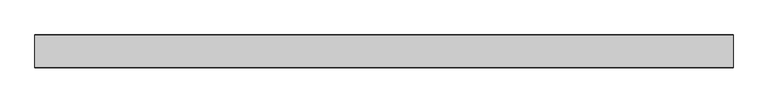
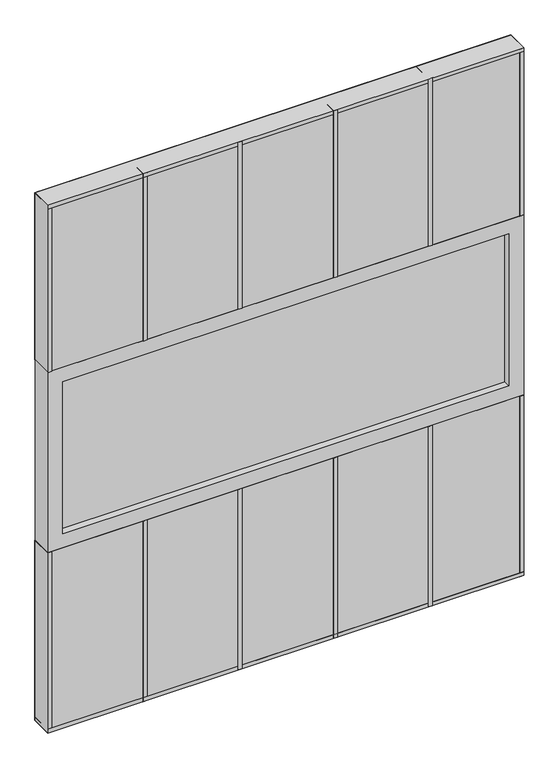
"""IFC4 building model written with IfcOpenShell, lengths in millimetres: plate geometry."""

from ifc_helpers import new_model, si_unit, frame, origin, origin_with_axes, place, context, project, spatial, polyline, outline, extrude, source, transform, mapped, element, save


def plate_51550190(model_context):
    return source(origin(), model_context, "Body", "SweptSolid", [
        extrude(outline(polyline([(762.0, 34.925), (762.0, -34.925), (-762.0, -34.925), (-762.0, 34.925), (762.0, 34.925)])), origin_with_axes(), (0.0, 0.0, 1.0), 609.6),
        extrude(outline(polyline([(-714.248, 12.7), (714.248, 12.7), (714.248, -12.7), (-714.248, -12.7), (-714.248, 12.7)])), frame((0.0, 0.0, 657.352), z_axis=(0.0, 0.0, 1.0), x_axis=(1.0, 0.0, 0.0)), (0.0, 0.0, 1.0), 514.096),
        extrude(outline(polyline([(1219.2, -762.0), (609.6, -762.0), (609.6, 762.0), (1219.2, 762.0), (1219.2, -762.0)]), holes=[polyline([(1171.448, 714.248), (657.352, 714.248), (657.352, -714.248), (1171.448, -714.248), (1171.448, 714.248)])]), frame((0.0, -34.925, 0.0), z_axis=(0.0, 1.0, 0.0), x_axis=(0.0, 0.0, 1.0)), (0.0, 0.0, 1.0), 69.85),
        extrude(outline(polyline([(762.0, 34.925), (762.0, -34.925), (-762.0, -34.925), (-762.0, 34.925), (762.0, 34.925)])), frame((0.0, 0.0, 1219.2), z_axis=(0.0, 0.0, 1.0), x_axis=(1.0, 0.0, 0.0)), (0.0, 0.0, 1.0), 565.15),
        extrude(outline(polyline([(469.9, 35.71875), (469.9, -35.71875), (457.2, -35.71875), (457.2, 35.71875), (469.9, 35.71875)])), origin_with_axes(), (0.0, 0.0, 1.0), 609.6),
        extrude(outline(polyline([(165.1, 35.71875), (165.1, -35.71875), (152.4, -35.71875), (152.4, 35.71875), (165.1, 35.71875)])), origin_with_axes(), (0.0, 0.0, 1.0), 609.6),
        extrude(outline(polyline([(469.9, 35.71875), (469.9, -35.71875), (457.2, -35.71875), (457.2, 35.71875), (469.9, 35.71875)])), frame((0.0, 0.0, 1219.2), z_axis=(0.0, 0.0, 1.0), x_axis=(1.0, 0.0, 0.0)), (0.0, 0.0, 1.0), 565.15),
        extrude(outline(polyline([(165.1, 35.71875), (165.1, -35.71875), (152.4, -35.71875), (152.4, 35.71875), (165.1, 35.71875)])), frame((0.0, 0.0, 1219.2), z_axis=(0.0, 0.0, 1.0), x_axis=(1.0, 0.0, 0.0)), (0.0, 0.0, 1.0), 565.15),
        extrude(outline(polyline([(-139.7, 35.71875), (-139.7, -35.71875), (-152.4, -35.71875), (-152.4, 35.71875), (-139.7, 35.71875)])), origin_with_axes(), (0.0, 0.0, 1.0), 609.6),
        extrude(outline(polyline([(-139.7, 35.71875), (-139.7, -35.71875), (-152.4, -35.71875), (-152.4, 35.71875), (-139.7, 35.71875)])), frame((0.0, 0.0, 1219.2), z_axis=(0.0, 0.0, 1.0), x_axis=(1.0, 0.0, 0.0)), (0.0, 0.0, 1.0), 565.15),
        extrude(outline(polyline([(762.0, 35.71875), (762.0, -35.71875), (-762.0, -35.71875), (-762.0, 35.71875), (762.0, 35.71875)])), origin_with_axes(), (0.0, 0.0, 1.0), 12.7),
        extrude(outline(polyline([(-444.5, 35.71875), (-444.5, -35.71875), (-457.2, -35.71875), (-457.2, 35.71875), (-444.5, 35.71875)])), origin_with_axes(), (0.0, 0.0, 1.0), 609.6),
        extrude(outline(polyline([(749.3, 35.71875), (762.0, 35.71875), (762.0, -35.71875), (749.3, -35.71875), (749.3, 35.71875)])), origin_with_axes(), (0.0, 0.0, 1.0), 609.6),
        extrude(outline(polyline([(-749.3, 35.71875), (-749.3, -35.71875), (-762.0, -35.71875), (-762.0, 35.71875), (-749.3, 35.71875)])), origin_with_axes(), (0.0, 0.0, 1.0), 609.6),
        extrude(outline(polyline([(762.0, 35.71875), (762.0, -35.71875), (-762.0, -35.71875), (-762.0, 35.71875), (762.0, 35.71875)])), frame((0.0, 0.0, 1771.65), z_axis=(0.0, 0.0, 1.0), x_axis=(1.0, 0.0, 0.0)), (0.0, 0.0, 1.0), 12.7),
        extrude(outline(polyline([(-444.5, 35.71875), (-444.5, -35.71875), (-457.2, -35.71875), (-457.2, 35.71875), (-444.5, 35.71875)])), frame((0.0, 0.0, 1219.2), z_axis=(0.0, 0.0, 1.0), x_axis=(1.0, 0.0, 0.0)), (0.0, 0.0, 1.0), 565.15),
        extrude(outline(polyline([(762.0, 35.71875), (762.0, -35.71875), (749.3, -35.71875), (749.3, 35.71875), (762.0, 35.71875)])), frame((0.0, 0.0, 1219.2), z_axis=(0.0, 0.0, 1.0), x_axis=(1.0, 0.0, 0.0)), (0.0, 0.0, 1.0), 565.15),
        extrude(outline(polyline([(-749.3, 35.71875), (-749.3, -35.71875), (-762.0, -35.71875), (-762.0, 35.71875), (-749.3, 35.71875)])), frame((0.0, 0.0, 1219.2), z_axis=(0.0, 0.0, 1.0), x_axis=(1.0, 0.0, 0.0)), (0.0, 0.0, 1.0), 565.15),
    ])


if __name__ == "__main__":
    model = new_model("IFC4")
    model_context = context("Model", 3, world=origin())
    ifc_project = project(units=[si_unit("LENGTHUNIT", "METRE", prefix="MILLI")], contexts=[model_context])
    site = spatial("IfcSite", under=ifc_project)
    building = spatial("IfcBuilding", under=site)
    placement = place(None, origin())
    plate_shape = plate_51550190(model_context)
    element("IfcPlate", 1, at=placement, inside=building, context=model_context, shape_type="MappedRepresentation", body=[
        mapped(plate_shape, transform((0.0, 0.0, 0.0), x_axis=(1.0, 0.0, 0.0), y_axis=(0.0, 1.0, 0.0), z_axis=(0.0, 0.0, 1.0))),
    ])
    save(model, "model.ifc")
